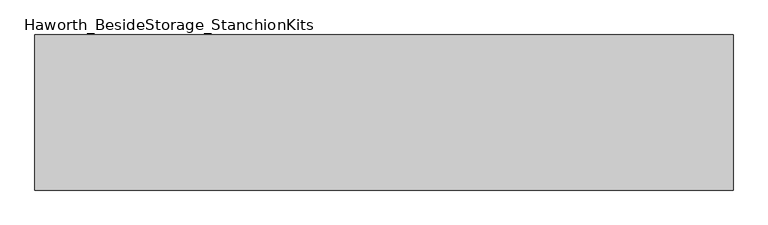
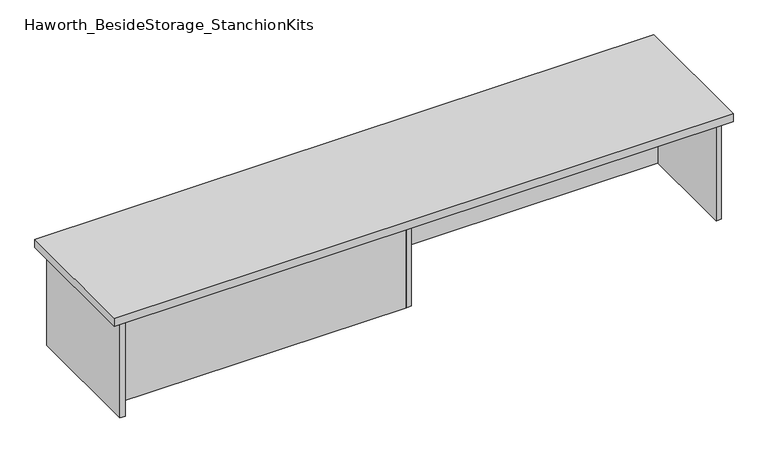
"""IFC4 building model written with IfcOpenShell, lengths in millimetres: furniture geometry, Haworth_BesideStorage_StanchionKits."""

import ifcopenshell
import ifcopenshell.guid

model = None  # the IFC model being written
_history = None  # IfcOwnerHistory: only IFC2X3 demands one
_inside = {}  # id of a spatial element -> (the spatial element, [elements in it])
_under = {}  # id of a project, library or spatial element -> (it, [spatial elements below it])
_declared = {}  # id of a project -> (the project, [libraries it declares])
_typed = {}  # id of a type object -> (the type object, [elements of that type])
_made_of = {}  # id of a material, layer set ... -> (it, [elements and type objects made of it])


def new_model(schema):
    """Start an empty IFC model of exactly this schema.

    Asked for "IFC4X3", IfcOpenShell would pick the latest addendum, in which some entities
    have other attributes; the version numbers below select the first issue.
    IFC2X3 requires an IfcOwnerHistory on every rooted entity: one is made here for all.
    """
    global model, _history
    if schema == "IFC4X3":
        model = ifcopenshell.file(schema_version=(4, 3, 0, 0))
    else:
        model = ifcopenshell.file(schema=schema)
    _inside.clear()
    _under.clear()
    _declared.clear()
    _typed.clear()
    _made_of.clear()
    _history = None
    if model.schema == "IFC2X3":
        org = make("IfcOrganization", Name="unknown")
        user = make(
            "IfcPersonAndOrganization",
            ThePerson=make("IfcPerson", FamilyName="unknown"),
            TheOrganization=org,
        )
        app = make(
            "IfcApplication",
            ApplicationDeveloper=org,
            Version="unknown",
            ApplicationFullName="unknown",
            ApplicationIdentifier="unknown",
        )
        _history = make(
            "IfcOwnerHistory",
            OwningUser=user,
            OwningApplication=app,
            ChangeAction="ADDED",
            CreationDate=0,
        )
    return model


def make(cls, **values):
    """One entity of the class cls with the attributes given. An attribute that is None is left unset."""
    return model.create_entity(
        cls, **{name: value for name, value in values.items() if value is not None}
    )


def rooted(cls, **values):
    """An entity with a GlobalId (a new one), such as an element, a storey or a relation."""
    return make(cls, GlobalId=ifcopenshell.guid.new(), OwnerHistory=_history, **values)


def si_unit(unit_type, name, prefix=None):
    """IfcSIUnit, for example si_unit("LENGTHUNIT", "METRE", prefix="MILLI")."""
    return make("IfcSIUnit", UnitType=unit_type, Prefix=prefix, Name=name)


def assignment(units):
    """IfcUnitAssignment: the units of a project."""
    return None if units is None else make("IfcUnitAssignment", Units=units)


def point(xyz):
    """IfcCartesianPoint."""
    return None if xyz is None else make("IfcCartesianPoint", Coordinates=xyz)


def direction(xyz):
    """IfcDirection."""
    return None if xyz is None else make("IfcDirection", DirectionRatios=xyz)


def frame(location, z_axis=None, x_axis=None):
    """IfcAxis2Placement3D, a coordinate frame: its origin and axes. An axis left out is left unset."""
    return make(
        "IfcAxis2Placement3D",
        Location=point(location),
        Axis=direction(z_axis),
        RefDirection=direction(x_axis),
    )


def origin():
    """The frame at (0, 0, 0) with its axes left unset."""
    return frame((0.0, 0.0, 0.0))


def place(relative_to, where):
    """IfcLocalPlacement: puts the frame where relative to a parent placement (None: the world)."""
    return make(
        "IfcLocalPlacement", PlacementRelTo=relative_to, RelativePlacement=where
    )


def context(
    kind, dimensions, precision=None, world=None, true_north=None, identifier=None
):
    """IfcGeometricRepresentationContext, for example the 3D "Model" context."""
    return make(
        "IfcGeometricRepresentationContext",
        ContextIdentifier=identifier,
        ContextType=kind,
        CoordinateSpaceDimension=dimensions,
        Precision=precision,
        WorldCoordinateSystem=world,
        TrueNorth=true_north,
    )


def project(units=None, contexts=None):
    """IfcProject with its units and contexts."""
    return rooted(
        "IfcProject",
        Name="project",
        RepresentationContexts=contexts,
        UnitsInContext=assignment(units),
    )


def spatial(cls, under=None, at=None, **own):
    """A site, building, storey or space (cls), placed at a placement, below another one or the project."""
    s = rooted(cls, ObjectPlacement=at, **own)
    if under is not None:
        _under.setdefault(under.id(), (under, []))[1].append(s)
    return s


def polyline(points):
    """IfcPolyline through the points."""
    return make("IfcPolyline", Points=[point(p) for p in points])


def outline(outer, holes=None, kind="AREA"):
    """IfcArbitraryClosedProfileDef: a profile drawn as a closed curve; with holes, ...WithVoids."""
    if holes is None:
        return make("IfcArbitraryClosedProfileDef", ProfileType=kind, OuterCurve=outer)
    return make(
        "IfcArbitraryProfileDefWithVoids",
        ProfileType=kind,
        OuterCurve=outer,
        InnerCurves=holes,
    )


def extrude(swept, where, along, depth):
    """IfcExtrudedAreaSolid: the profile swept, set in the frame where, extruded along a direction by depth."""
    return make(
        "IfcExtrudedAreaSolid",
        SweptArea=swept,
        Position=where,
        ExtrudedDirection=direction(along),
        Depth=depth,
    )


def shape(context_of_items, identifier, shape_type, items):
    """IfcShapeRepresentation: the items that make up one representation, for example the "Body"."""
    return make(
        "IfcShapeRepresentation",
        ContextOfItems=context_of_items,
        RepresentationIdentifier=identifier,
        RepresentationType=shape_type,
        Items=items,
    )


def source(mapping_origin, context_of_items, identifier, shape_type, items):
    """IfcRepresentationMap: a shape defined once, which mapped items show again and again."""
    return make(
        "IfcRepresentationMap",
        MappingOrigin=mapping_origin,
        MappedRepresentation=shape(context_of_items, identifier, shape_type, items),
    )


def transform(
    local_origin,
    x_axis=None,
    y_axis=None,
    z_axis=None,
    scale=None,
    scale2=None,
    scale3=None,
    uniform=True,
):
    """IfcCartesianTransformationOperator3D, or its non-uniform kind. x_axis, y_axis, z_axis: its Axis1, 2, 3."""
    if uniform:
        return make(
            "IfcCartesianTransformationOperator3D",
            Axis1=direction(x_axis),
            Axis2=direction(y_axis),
            LocalOrigin=point(local_origin),
            Scale=scale,
            Axis3=direction(z_axis),
        )
    return make(
        "IfcCartesianTransformationOperator3DnonUniform",
        Axis1=direction(x_axis),
        Axis2=direction(y_axis),
        LocalOrigin=point(local_origin),
        Scale=scale,
        Axis3=direction(z_axis),
        Scale2=scale2,
        Scale3=scale3,
    )


def mapped(mapping_source, mapping_target):
    """IfcMappedItem: shows the shape of a source again, moved by a transform."""
    return make(
        "IfcMappedItem", MappingSource=mapping_source, MappingTarget=mapping_target
    )


def made_of(thing, what):
    """Note that an element or type object is made of a material, layer set ...; save() writes the relation."""
    if what is not None:
        _made_of.setdefault(what.id(), (what, []))[1].append(thing)
    return thing


def element(
    cls,
    number,
    at=None,
    inside=None,
    cuts=None,
    type_object=None,
    material=None,
    context=None,
    identifier="Body",
    shape_type=None,
    held_by="IfcProductDefinitionShape",
    body=None,
    shapes=None,
    **own,
):
    """One element of the class cls, such as IfcWall. Its Tag is "e" and its number.

    at: its placement. inside: the storey or other place that contains it. cuts: it is an
    opening in that element (IfcRelVoidsElement). A single representation is given by context,
    identifier, shape_type and body (its items); several are given by shapes. held_by: the class
    of the entity that holds the representations. save() writes the other relations.
    """
    e = rooted(cls, Tag="e%d" % number, ObjectPlacement=at, **own)
    if body is not None:
        shapes = [shape(context, identifier, shape_type, body)]
    if shapes is not None:
        e.Representation = make(held_by, Representations=shapes)
    if inside is not None:
        _inside.setdefault(inside.id(), (inside, []))[1].append(e)
    if cuts is not None:
        rooted(
            "IfcRelVoidsElement", RelatingBuildingElement=cuts, RelatedOpeningElement=e
        )
    if type_object is not None:
        _typed.setdefault(type_object.id(), (type_object, []))[1].append(e)
    return made_of(e, material)


def aggregate(whole, parts):
    """IfcRelAggregates: a whole, such as a stair, and the parts it consists of."""
    return rooted("IfcRelAggregates", RelatingObject=whole, RelatedObjects=parts)


def save(model, path):
    """Write the relations noted so far, then the file.

    IfcRelAggregates (storeys below a building ...), IfcRelContainedInSpatialStructure (elements
    in a storey), IfcRelDefinesByType, IfcRelAssociatesMaterial and IfcRelDeclares: one each for
    every whole, place, type object, material and project.
    """
    for whole, parts in _under.values():
        aggregate(whole, parts)
    for where, things in _inside.values():
        rooted(
            "IfcRelContainedInSpatialStructure",
            RelatedElements=things,
            RelatingStructure=where,
        )
    for kind, things in _typed.values():
        rooted("IfcRelDefinesByType", RelatedObjects=things, RelatingType=kind)
    for what, things in _made_of.values():
        rooted("IfcRelAssociatesMaterial", RelatedObjects=things, RelatingMaterial=what)
    for by, libraries in _declared.values():
        rooted("IfcRelDeclares", RelatingContext=by, RelatedDefinitions=libraries)
    model.write(path)


def haworth_besidestorage_stanchionkits_76e8b32c(model_context):
    return source(origin(), model_context, "Body", "SweptSolid", [
        extrude(outline(polyline([(1076.325, 0.0), (1076.325, -406.4), (-752.475, -406.4), (-752.475, 0.0), (1076.325, 0.0)])), frame((0.0, 0.0, 736.6), z_axis=(0.0, 0.0, 1.0), x_axis=(1.0, 0.0, 0.0)), (0.0, 0.0, 1.0), 25.4),
        extrude(outline(polyline([(169.8625, -76.2), (1035.05, -76.2), (1035.05, -92.075), (169.8625, -92.075), (169.8625, -76.2)])), frame((0.0, 0.0, 431.8), z_axis=(0.0, 0.0, 1.0), x_axis=(1.0, 0.0, 0.0)), (0.0, 0.0, 1.0), 304.8),
        extrude(outline(polyline([(153.9875, -314.325), (153.9875, -330.2), (-711.2, -330.2), (-711.2, -314.325), (153.9875, -314.325)])), frame((0.0, 0.0, 431.8), z_axis=(0.0, 0.0, 1.0), x_axis=(1.0, 0.0, 0.0)), (0.0, 0.0, 1.0), 304.8),
        extrude(outline(polyline([(169.8625, -330.2), (153.9875, -330.2), (153.9875, -76.2), (169.8625, -76.2), (169.8625, -330.2)])), frame((0.0, 0.0, 431.8), z_axis=(0.0, 0.0, 1.0), x_axis=(1.0, 0.0, 0.0)), (0.0, 0.0, 1.0), 304.8),
        extrude(outline(polyline([(1050.925, -390.525), (1035.05, -390.525), (1035.05, -15.875), (1050.925, -15.875), (1050.925, -390.525)])), frame((0.0, 0.0, 431.8), z_axis=(0.0, 0.0, 1.0), x_axis=(1.0, 0.0, 0.0)), (0.0, 0.0, 1.0), 304.8),
        extrude(outline(polyline([(-711.2, -390.525), (-727.075, -390.525), (-727.075, -15.875), (-711.2, -15.875), (-711.2, -390.525)])), frame((0.0, 0.0, 431.8), z_axis=(0.0, 0.0, 1.0), x_axis=(1.0, 0.0, 0.0)), (0.0, 0.0, 1.0), 304.8),
    ])


if __name__ == "__main__":
    model = new_model("IFC4")
    model_context = context("Model", 3, world=origin())
    ifc_project = project(units=[si_unit("LENGTHUNIT", "METRE", prefix="MILLI")], contexts=[model_context])
    site = spatial("IfcSite", under=ifc_project)
    building = spatial("IfcBuilding", under=site)
    placement = place(None, origin())
    haworth_besidestorage_stanchionkits_shape = haworth_besidestorage_stanchionkits_76e8b32c(model_context)
    element("IfcFurniture", 1, ObjectType="Haworth_BesideStorage_StanchionKits", at=placement, inside=building, context=model_context, shape_type="MappedRepresentation", body=[
        mapped(haworth_besidestorage_stanchionkits_shape, transform((0.0, 0.0, 0.0), x_axis=(1.0, 0.0, 0.0), y_axis=(0.0, 1.0, 0.0), z_axis=(0.0, 0.0, 1.0))),
    ])
    save(model, "model.ifc")
